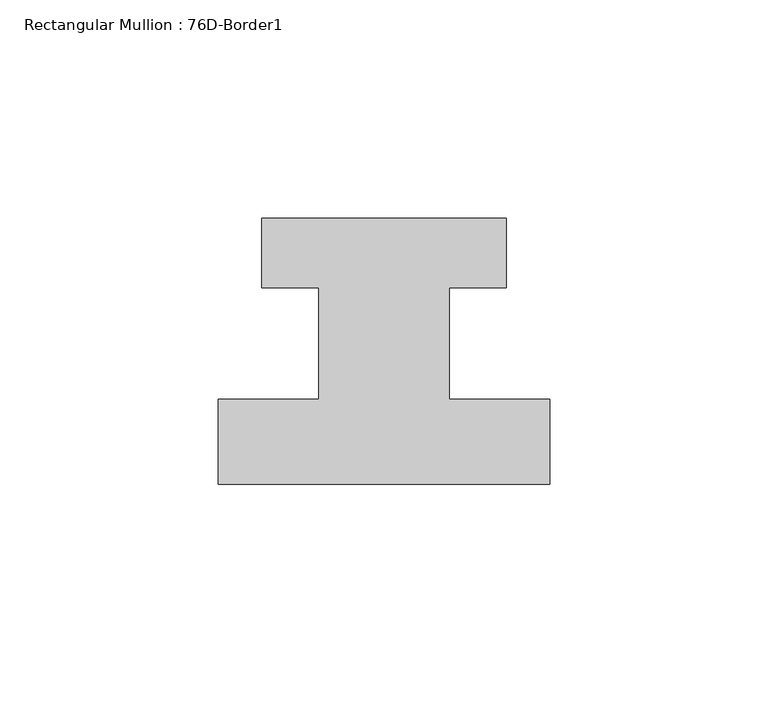
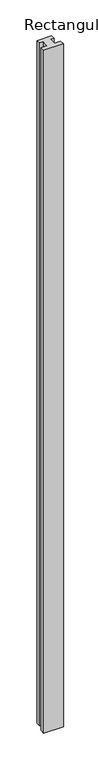
"""IFC4 building model written with IfcOpenShell, lengths in millimetres: member geometry, Rectangular Mullion : 76D-Border1."""

from ifc_helpers import new_model, si_unit, frame, origin, place, context, project, spatial, polyline, outline, extrude, source, transform, mapped, element, save


def rectangular_mullion_76d_border1_7c9ab647(model_context):
    return source(origin(), model_context, "Body", "SweptSolid", [
        extrude(outline(polyline([(0.0, -20.0), (-76.0, -20.0), (-76.0, -0.5), (-53.0, -0.5), (-53.0, 25.0), (-66.0, 25.0), (-66.0, 41.0), (-10.0, 41.0), (-10.0, 25.0), (-23.0, 25.0), (-23.0, -0.5), (0.0, -0.5), (0.0, -20.0)])), frame((0.0, 0.0, -2800.0), z_axis=(0.0, 0.0, 1.0), x_axis=(1.0, 0.0, 0.0)), (0.0, 0.0, 1.0), 2800.0),
    ])


if __name__ == "__main__":
    model = new_model("IFC4")
    model_context = context("Model", 3, world=origin())
    ifc_project = project(units=[si_unit("LENGTHUNIT", "METRE", prefix="MILLI")], contexts=[model_context])
    site = spatial("IfcSite", under=ifc_project)
    building = spatial("IfcBuilding", under=site)
    placement = place(None, origin())
    rectangular_mullion_76d_border1_shape = rectangular_mullion_76d_border1_7c9ab647(model_context)
    element("IfcMember", 1, ObjectType="Rectangular Mullion : 76D-Border1", at=placement, inside=building, context=model_context, shape_type="MappedRepresentation", body=[
        mapped(rectangular_mullion_76d_border1_shape, transform((0.0, 0.0, 0.0), x_axis=(1.0, 0.0, 0.0), y_axis=(0.0, 1.0, 0.0), z_axis=(0.0, 0.0, 1.0))),
    ])
    save(model, "model.ifc")
